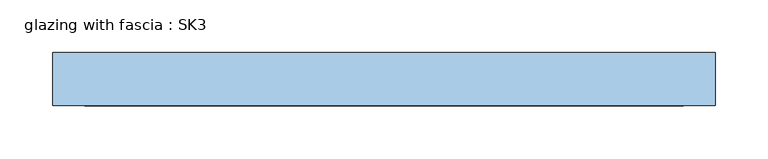
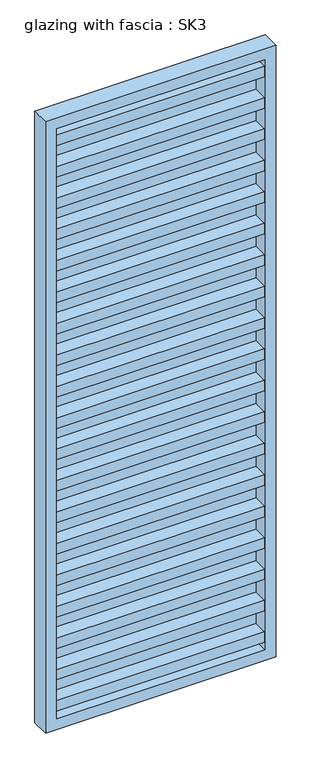
"""IFC4 building model written with IfcOpenShell, lengths in millimetres: window geometry, glazing with fascia : SK3."""

from ifc_helpers import new_model, si_unit, frame, origin, place, context, project, spatial, polyline, outline, extrude, source, transform, mapped, element, save


def glazing_with_fascia_sk3_39d7bfeb(model_context):
    return source(origin(), model_context, "Body", "SweptSolid", [
        extrude(outline(polyline([(282.5, -0.1334055), (282.5, -8.1334055), (-282.5, -8.1334055), (-282.5, -0.1334055), (282.5, -0.1334055)])), frame((0.0, 0.0, 30.0), z_axis=(0.0, 0.0, 1.0), x_axis=(1.0, 0.0, 0.0)), (0.0, 0.0, 1.0), 1690.0),
        extrude(outline(polyline([(1750.0, -312.5), (0.0, -312.5), (0.0, 312.5), (1750.0, 312.5), (1750.0, -312.5)]), holes=[polyline([(1720.0, -282.5), (1720.0, 282.5), (30.0, 282.5), (30.0, -282.5), (1720.0, -282.5)])]), frame((0.0, -50.0, 0.0), z_axis=(0.0, 1.0, 0.0), x_axis=(0.0, 0.0, 1.0)), (0.0, 0.0, 1.0), 50.0),
        extrude(outline(polyline([(-282.5, -48.1334055), (-282.5, -8.1334055), (282.5, -8.1334055), (282.5, -48.1334055), (-282.5, -48.1334055)])), frame((0.0, 0.0, 1580.4), z_axis=(0.0, 0.0, 1.0), x_axis=(1.0, 0.0, 0.0)), (0.0, 0.0, 1.0), 30.0),
        extrude(outline(polyline([(-282.5, -48.1334055), (-282.5, -8.1334055), (282.5, -8.1334055), (282.5, -48.1334055), (-282.5, -48.1334055)])), frame((0.0, 0.0, 1490.4), z_axis=(0.0, 0.0, 1.0), x_axis=(1.0, 0.0, 0.0)), (0.0, 0.0, 1.0), 30.0),
        extrude(outline(polyline([(-282.5, -48.1334055), (-282.5, -8.1334055), (282.5, -8.1334055), (282.5, -48.1334055), (-282.5, -48.1334055)])), frame((0.0, 0.0, 1400.4), z_axis=(0.0, 0.0, 1.0), x_axis=(1.0, 0.0, 0.0)), (0.0, 0.0, 1.0), 30.0),
        extrude(outline(polyline([(-282.5, -48.1334055), (-282.5, -8.1334055), (282.5, -8.1334055), (282.5, -48.1334055), (-282.5, -48.1334055)])), frame((0.0, 0.0, 1310.4), z_axis=(0.0, 0.0, 1.0), x_axis=(1.0, 0.0, 0.0)), (0.0, 0.0, 1.0), 30.0),
        extrude(outline(polyline([(-282.5, -48.1334055), (-282.5, -8.1334055), (282.5, -8.1334055), (282.5, -48.1334055), (-282.5, -48.1334055)])), frame((0.0, 0.0, 1220.4), z_axis=(0.0, 0.0, 1.0), x_axis=(1.0, 0.0, 0.0)), (0.0, 0.0, 1.0), 30.0),
        extrude(outline(polyline([(-282.5, -48.1334055), (-282.5, -8.1334055), (282.5, -8.1334055), (282.5, -48.1334055), (-282.5, -48.1334055)])), frame((0.0, 0.0, 1130.4), z_axis=(0.0, 0.0, 1.0), x_axis=(1.0, 0.0, 0.0)), (0.0, 0.0, 1.0), 30.0),
        extrude(outline(polyline([(-282.5, -48.1334055), (-282.5, -8.1334055), (282.5, -8.1334055), (282.5, -48.1334055), (-282.5, -48.1334055)])), frame((0.0, 0.0, 1040.4), z_axis=(0.0, 0.0, 1.0), x_axis=(1.0, 0.0, 0.0)), (0.0, 0.0, 1.0), 30.0),
        extrude(outline(polyline([(-282.5, -48.1334055), (-282.5, -8.1334055), (282.5, -8.1334055), (282.5, -48.1334055), (-282.5, -48.1334055)])), frame((0.0, 0.0, 950.4), z_axis=(0.0, 0.0, 1.0), x_axis=(1.0, 0.0, 0.0)), (0.0, 0.0, 1.0), 30.0),
        extrude(outline(polyline([(-282.5, -48.1334055), (-282.5, -8.1334055), (282.5, -8.1334055), (282.5, -48.1334055), (-282.5, -48.1334055)])), frame((0.0, 0.0, 860.4), z_axis=(0.0, 0.0, 1.0), x_axis=(1.0, 0.0, 0.0)), (0.0, 0.0, 1.0), 30.0),
        extrude(outline(polyline([(-282.5, -48.1334055), (-282.5, -8.1334055), (282.5, -8.1334055), (282.5, -48.1334055), (-282.5, -48.1334055)])), frame((0.0, 0.0, 770.4), z_axis=(0.0, 0.0, 1.0), x_axis=(1.0, 0.0, 0.0)), (0.0, 0.0, 1.0), 30.0),
        extrude(outline(polyline([(-282.5, -48.1334055), (-282.5, -8.1334055), (282.5, -8.1334055), (282.5, -48.1334055), (-282.5, -48.1334055)])), frame((0.0, 0.0, 680.4), z_axis=(0.0, 0.0, 1.0), x_axis=(1.0, 0.0, 0.0)), (0.0, 0.0, 1.0), 30.0),
        extrude(outline(polyline([(-282.5, -48.1334055), (-282.5, -8.1334055), (282.5, -8.1334055), (282.5, -48.1334055), (-282.5, -48.1334055)])), frame((0.0, 0.0, 590.4), z_axis=(0.0, 0.0, 1.0), x_axis=(1.0, 0.0, 0.0)), (0.0, 0.0, 1.0), 30.0),
        extrude(outline(polyline([(-282.5, -48.1334055), (-282.5, -8.1334055), (282.5, -8.1334055), (282.5, -48.1334055), (-282.5, -48.1334055)])), frame((0.0, 0.0, 500.4), z_axis=(0.0, 0.0, 1.0), x_axis=(1.0, 0.0, 0.0)), (0.0, 0.0, 1.0), 30.0),
        extrude(outline(polyline([(-282.5, -48.1334055), (-282.5, -8.1334055), (282.5, -8.1334055), (282.5, -48.1334055), (-282.5, -48.1334055)])), frame((0.0, 0.0, 410.4), z_axis=(0.0, 0.0, 1.0), x_axis=(1.0, 0.0, 0.0)), (0.0, 0.0, 1.0), 30.0),
        extrude(outline(polyline([(-282.5, -48.1334055), (-282.5, -8.1334055), (282.5, -8.1334055), (282.5, -48.1334055), (-282.5, -48.1334055)])), frame((0.0, 0.0, 320.4), z_axis=(0.0, 0.0, 1.0), x_axis=(1.0, 0.0, 0.0)), (0.0, 0.0, 1.0), 30.0),
        extrude(outline(polyline([(-282.5, -48.1334055), (-282.5, -8.1334055), (282.5, -8.1334055), (282.5, -48.1334055), (-282.5, -48.1334055)])), frame((0.0, 0.0, 230.4), z_axis=(0.0, 0.0, 1.0), x_axis=(1.0, 0.0, 0.0)), (0.0, 0.0, 1.0), 30.0),
        extrude(outline(polyline([(-282.5, -48.1334055), (-282.5, -8.1334055), (282.5, -8.1334055), (282.5, -48.1334055), (-282.5, -48.1334055)])), frame((0.0, 0.0, 140.4), z_axis=(0.0, 0.0, 1.0), x_axis=(1.0, 0.0, 0.0)), (0.0, 0.0, 1.0), 30.0),
        extrude(outline(polyline([(-282.5, -48.1334055), (-282.5, -8.1334055), (282.5, -8.1334055), (282.5, -48.1334055), (-282.5, -48.1334055)])), frame((0.0, 0.0, 50.4), z_axis=(0.0, 0.0, 1.0), x_axis=(1.0, 0.0, 0.0)), (0.0, 0.0, 1.0), 30.0),
        extrude(outline(polyline([(-282.5, -48.1334055), (-282.5, -8.1334055), (282.5, -8.1334055), (282.5, -48.1334055), (-282.5, -48.1334055)])), frame((0.0, 0.0, 1670.0), z_axis=(0.0, 0.0, 1.0), x_axis=(1.0, 0.0, 0.0)), (0.0, 0.0, 1.0), 30.0),
    ])


if __name__ == "__main__":
    model = new_model("IFC4")
    model_context = context("Model", 3, world=origin())
    ifc_project = project(units=[si_unit("LENGTHUNIT", "METRE", prefix="MILLI")], contexts=[model_context])
    site = spatial("IfcSite", under=ifc_project)
    building = spatial("IfcBuilding", under=site)
    placement = place(None, origin())
    glazing_with_fascia_sk3_shape = glazing_with_fascia_sk3_39d7bfeb(model_context)
    element("IfcWindow", 1, ObjectType="glazing with fascia : SK3", at=placement, inside=building, context=model_context, shape_type="MappedRepresentation", body=[
        mapped(glazing_with_fascia_sk3_shape, transform((0.0, 0.0, 0.0), x_axis=(1.0, 0.0, 0.0), y_axis=(0.0, 1.0, 0.0), z_axis=(0.0, 0.0, 1.0))),
    ])
    save(model, "model.ifc")
